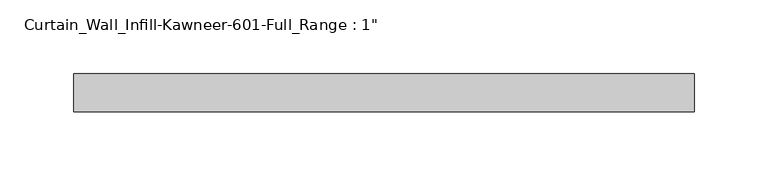
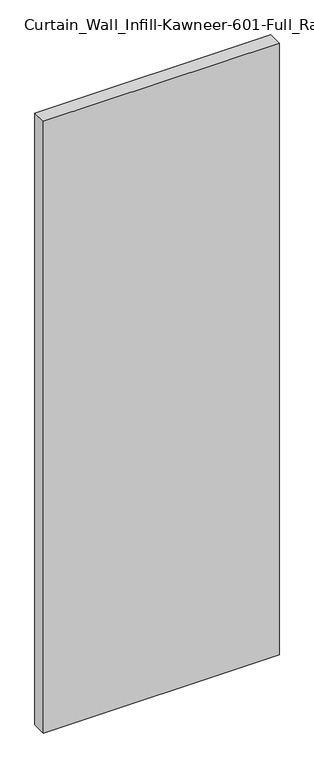
"""IFC4 building model written with IfcOpenShell, lengths in millimetres: plate geometry."""

from ifc_helpers import new_model, si_unit, origin, origin_with_axes, place, context, project, spatial, polyline, outline, extrude, source, transform, mapped, element, save


def plate_4db9432c(model_context):
    return source(origin(), model_context, "Body", "SweptSolid", [
        extrude(outline(polyline([(-209.55, 12.7), (209.55, 12.7), (209.55, -12.7), (-209.55, -12.7), (-209.55, 12.7)])), origin_with_axes(), (0.0, 0.0, 1.0), 1149.35),
    ])


if __name__ == "__main__":
    model = new_model("IFC4")
    model_context = context("Model", 3, world=origin())
    ifc_project = project(units=[si_unit("LENGTHUNIT", "METRE", prefix="MILLI")], contexts=[model_context])
    site = spatial("IfcSite", under=ifc_project)
    building = spatial("IfcBuilding", under=site)
    placement = place(None, origin())
    plate_shape = plate_4db9432c(model_context)
    element("IfcPlate", 1, ObjectType="Curtain_Wall_Infill-Kawneer-601-Full_Range : 1\"", at=placement, inside=building, context=model_context, shape_type="MappedRepresentation", body=[
        mapped(plate_shape, transform((0.0, 0.0, 0.0), x_axis=(1.0, 0.0, 0.0), y_axis=(0.0, 1.0, 0.0), z_axis=(0.0, 0.0, 1.0))),
    ])
    save(model, "model.ifc")
